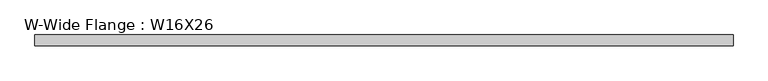
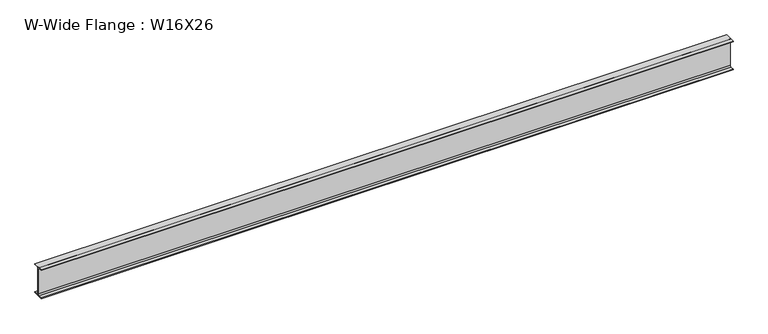
"""IFC4 building model written with IfcOpenShell, lengths in millimetres: beam geometry, W-Wide Flange : W16X26."""

from ifc_helpers import new_model, si_unit, point, frame, frame_2d, origin, place, context, project, spatial, polyline, circle_curve, trimmed, segment, composite_curve, outline, extrude, source, transform, mapped, element, save


def w_wide_flange_w16x26_9cf67ea0(model_context):
    return source(origin(), model_context, "Body", "SweptSolid", [
        extrude(outline(composite_curve([segment(polyline([(69.85, -190.5496094), (69.85, -199.2808594), (-69.85, -199.2808594), (-69.85, -190.5496094), (-21.43125, -190.5496094)]), True, "CONTINUOUS"), segment(trimmed(circle_curve(frame_2d((-21.43125, -172.2933594)), 18.25625), [point((-21.43125, -190.5496094))], [point((-3.175, -172.2933594))], True, "CARTESIAN"), True, "CONTINUOUS"), segment(polyline([(-3.175, -172.2933594), (-3.175, 172.2933594)]), True, "CONTINUOUS"), segment(trimmed(circle_curve(frame_2d((-21.43125, 172.2933594)), 18.25625), [point((-3.175, 172.2933594))], [point((-21.43125, 190.5496094))], True, "CARTESIAN"), True, "CONTINUOUS"), segment(polyline([(-21.43125, 190.5496094), (-69.85, 190.5496094), (-69.85, 199.2808594), (69.85, 199.2808594), (69.85, 190.5496094), (21.43125, 190.5496094)]), True, "CONTINUOUS"), segment(trimmed(circle_curve(frame_2d((21.43125, 172.2933594)), 18.25625), [point((21.43125, 190.5496094))], [point((3.175, 172.2933594))], True, "CARTESIAN"), True, "CONTINUOUS"), segment(polyline([(3.175, 172.2933594), (3.175, -172.2933594)]), True, "CONTINUOUS"), segment(trimmed(circle_curve(frame_2d((21.43125, -172.2933594)), 18.25625), [point((3.175, -172.2933594))], [point((21.43125, -190.5496094))], True, "CARTESIAN"), True, "CONTINUOUS"), segment(polyline([(21.43125, -190.5496094), (69.85, -190.5496094)]), True, "CONTINUOUS")], self_intersect=False)), frame((-4495.9488281, 0.0, 0.0), z_axis=(1.0, 0.0, 0.0), x_axis=(0.0, 1.0, 0.0)), (0.0, 0.0, 1.0), 9023.1019531),
    ])


if __name__ == "__main__":
    model = new_model("IFC4")
    model_context = context("Model", 3, world=origin())
    ifc_project = project(units=[si_unit("LENGTHUNIT", "METRE", prefix="MILLI")], contexts=[model_context])
    site = spatial("IfcSite", under=ifc_project)
    building = spatial("IfcBuilding", under=site)
    placement = place(None, origin())
    w_wide_flange_w16x26_shape = w_wide_flange_w16x26_9cf67ea0(model_context)
    element("IfcBeam", 1, ObjectType="W-Wide Flange : W16X26", at=placement, inside=building, context=model_context, shape_type="MappedRepresentation", body=[
        mapped(w_wide_flange_w16x26_shape, transform((0.0, 0.0, 0.0), x_axis=(1.0, 0.0, 0.0), y_axis=(0.0, 1.0, 0.0), z_axis=(0.0, 0.0, 1.0))),
    ])
    save(model, "model.ifc")
